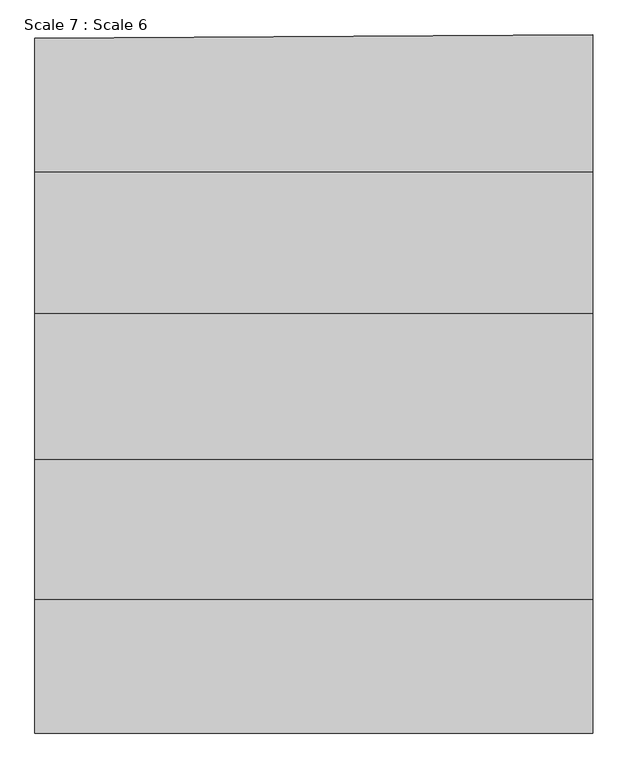
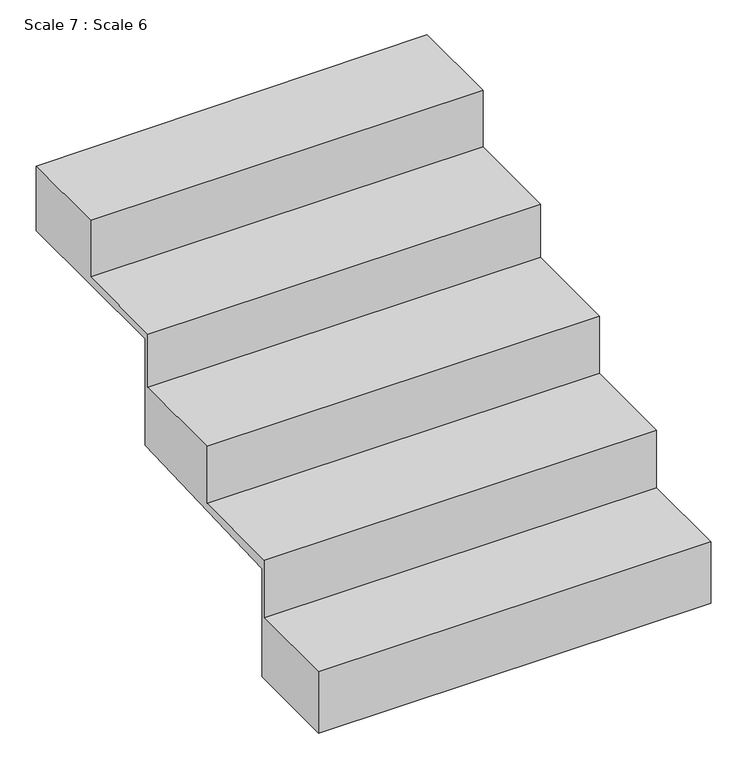
"""IFC4 building model written with IfcOpenShell, lengths in millimetres: proxy geometry, Scale 7 : Scale 6."""

from ifc_helpers import new_model, si_unit, origin, place, context, project, spatial, faceted_brep, source, transform, mapped, element, save


def scale_7_scale_6_fd10d56e(model_context):
    return source(origin(), model_context, "Body", "Brep", [
        faceted_brep([(-95492.0945131, 119624.2758413, 10217.5062645), (-95492.0945131, 119312.0730002, 10217.5062645), (-95492.0945131, 119312.0730002, 10002.6346982), (-95492.0945131, 119636.9868003, 10002.6346982), (-95492.0945131, 119636.9868003, 10382.8620856), (-95492.0945131, 120309.5816926, 10407.3106409), (-95492.0945131, 120309.5816926, 10781.4616441), (-95492.0945131, 120943.4520528, 10781.4616441), (-95492.0945131, 120943.4520528, 11007.8071321), (-95492.0945131, 120623.7063183, 11007.8071321), (-95492.0945131, 120623.7063183, 10808.4026512), (-95492.0945131, 120293.2823647, 10808.4026512), (-95492.0945131, 120293.2823647, 10620.75448), (-95492.0945131, 119951.9802562, 10620.75448), (-95492.0945131, 119951.9802562, 10420.8683846), (-95492.0945131, 119624.2758413, 10420.8683846), (-96795.5621188, 119312.0730002, 10217.5062645), (-96795.5621188, 119624.2758413, 10217.5062645), (-96795.5621188, 119624.2758413, 10420.8683846), (-96795.5621188, 119951.9802562, 10420.8683846), (-96795.5621188, 119951.9802562, 10620.75448), (-96795.5621188, 120293.2823647, 10620.75448), (-96795.5621188, 120293.2823647, 10808.4026512), (-96795.5621188, 120623.7063183, 10808.4026512), (-96795.5621188, 120623.7063183, 11007.8071321), (-96795.5621188, 120935.6786951, 11007.8071321), (-96795.5621188, 120935.6786951, 10781.4616441), (-96795.5621188, 120309.5816926, 10781.4616441), (-96795.5621188, 120309.5816926, 10407.3106409), (-96795.5621188, 119636.9868003, 10382.8620856), (-96795.5621188, 119636.9868003, 10002.6346982), (-96795.5621188, 119312.0730002, 10002.6346982)], [[[0, 1, 2, 3, 4, 5, 6, 7, 8, 9, 10, 11, 12, 13, 14, 15]], [[16, 17, 18, 19, 20, 21, 22, 23, 24, 25, 26, 27, 28, 29, 30, 31]], [[1, 16, 31, 2]], [[1, 0, 17, 16]], [[24, 9, 8, 25]], [[10, 9, 24, 23]], [[11, 10, 23, 22]], [[12, 11, 22, 21]], [[13, 12, 21, 20]], [[14, 13, 20, 19]], [[15, 14, 19, 18]], [[0, 15, 18, 17]], [[3, 2, 31, 30]], [[29, 4, 3, 30]], [[4, 29, 28, 5]], [[27, 6, 5, 28]], [[6, 27, 26, 7]], [[8, 7, 26, 25]]]),
    ])


if __name__ == "__main__":
    model = new_model("IFC4")
    model_context = context("Model", 3, world=origin())
    ifc_project = project(units=[si_unit("LENGTHUNIT", "METRE", prefix="MILLI")], contexts=[model_context])
    site = spatial("IfcSite", under=ifc_project)
    building = spatial("IfcBuilding", under=site)
    placement = place(None, origin())
    scale_7_scale_6_shape = scale_7_scale_6_fd10d56e(model_context)
    element("IfcBuildingElementProxy", 1, Name="Scale 7 : Scale 6", ObjectType="Scale 7 : Scale 6", at=placement, inside=building, context=model_context, shape_type="MappedRepresentation", body=[
        mapped(scale_7_scale_6_shape, transform((0.0, 0.0, 0.0), x_axis=(1.0, 0.0, 0.0), y_axis=(0.0, 1.0, 0.0), z_axis=(0.0, 0.0, 1.0))),
    ])
    save(model, "model.ifc")
